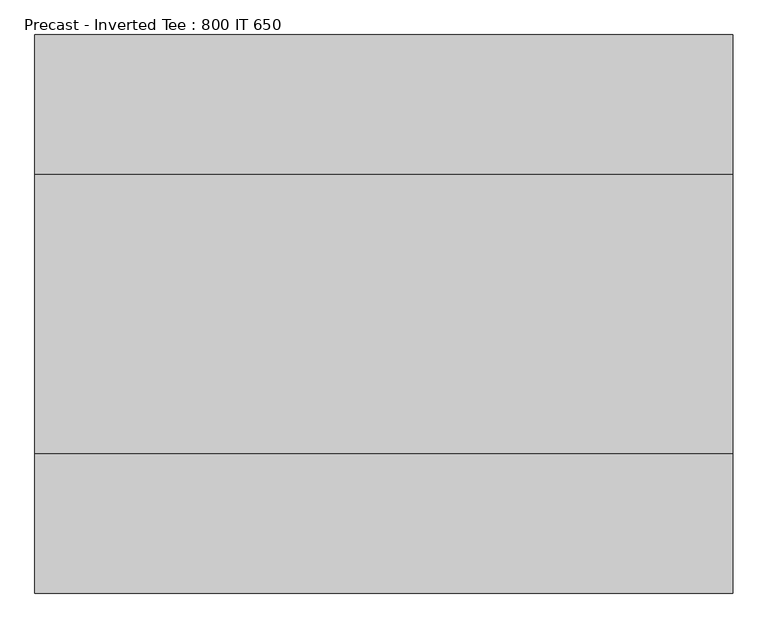
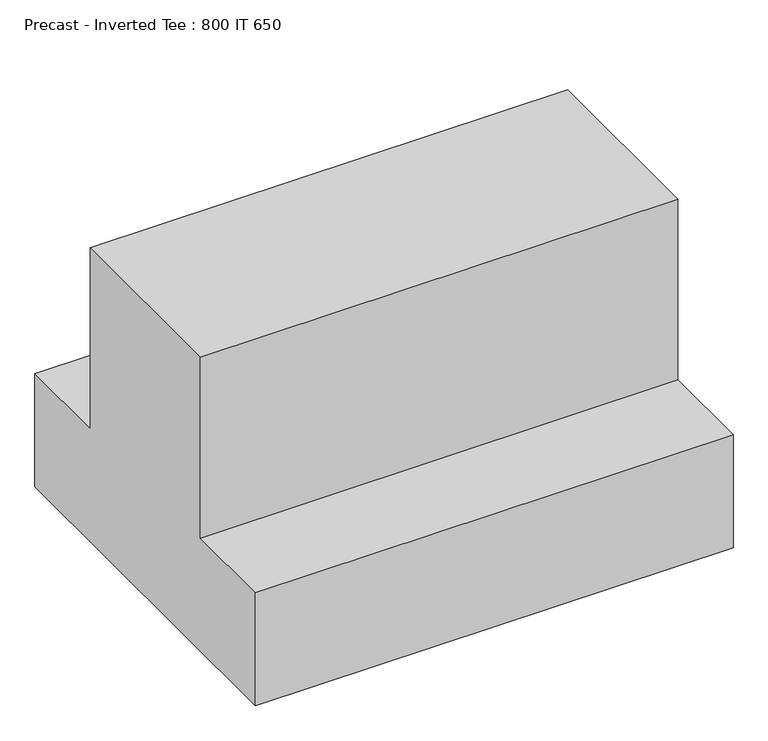
"""IFC4 building model written with IfcOpenShell, lengths in millimetres: beam geometry, Precast - Inverted Tee : 800 IT 650."""

from ifc_helpers import new_model, si_unit, frame, origin, place, context, project, spatial, polyline, outline, extrude, source, transform, mapped, element, save


def precast_inverted_tee_800_it_650_b2b120d3(model_context):
    return source(origin(), model_context, "Body", "SweptSolid", [
        extrude(outline(polyline([(400.0, -325.0), (-400.0, -325.0), (-400.0, -75.0), (-200.0, -75.0), (-200.0, 325.0), (200.0, 325.0), (200.0, -75.0), (400.0, -75.0), (400.0, -325.0)])), frame((-400.0, 0.0, 0.0), z_axis=(1.0, 0.0, 0.0), x_axis=(0.0, 1.0, 0.0)), (0.0, 0.0, 1.0), 1000.0),
    ])


if __name__ == "__main__":
    model = new_model("IFC4")
    model_context = context("Model", 3, world=origin())
    ifc_project = project(units=[si_unit("LENGTHUNIT", "METRE", prefix="MILLI")], contexts=[model_context])
    site = spatial("IfcSite", under=ifc_project)
    building = spatial("IfcBuilding", under=site)
    placement = place(None, origin())
    precast_inverted_tee_800_it_650_shape = precast_inverted_tee_800_it_650_b2b120d3(model_context)
    element("IfcBeam", 1, ObjectType="Precast - Inverted Tee : 800 IT 650", at=placement, inside=building, context=model_context, shape_type="MappedRepresentation", body=[
        mapped(precast_inverted_tee_800_it_650_shape, transform((0.0, 0.0, 0.0), x_axis=(1.0, 0.0, 0.0), y_axis=(0.0, 1.0, 0.0), z_axis=(0.0, 0.0, 1.0))),
    ])
    save(model, "model.ifc")
